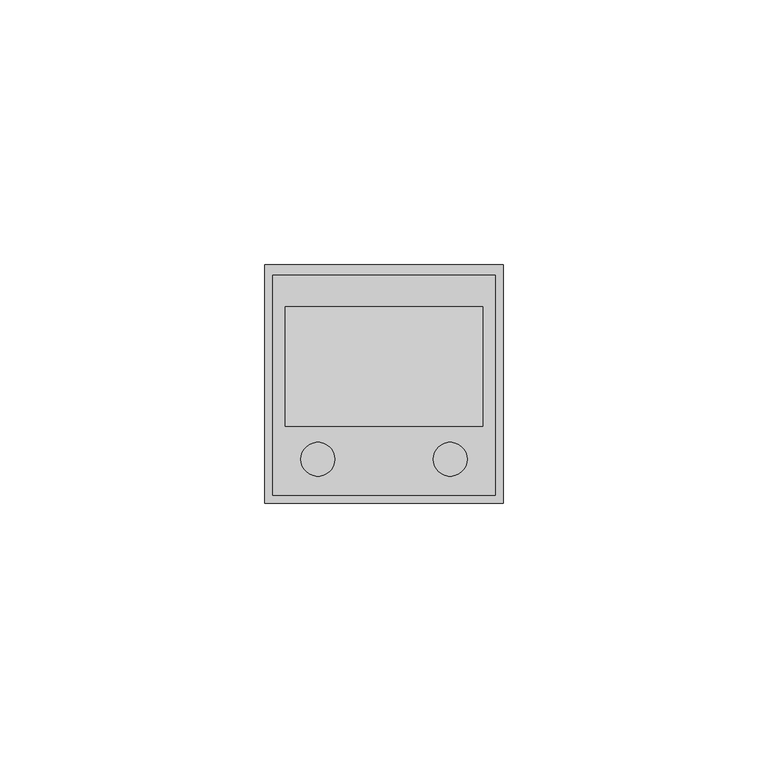
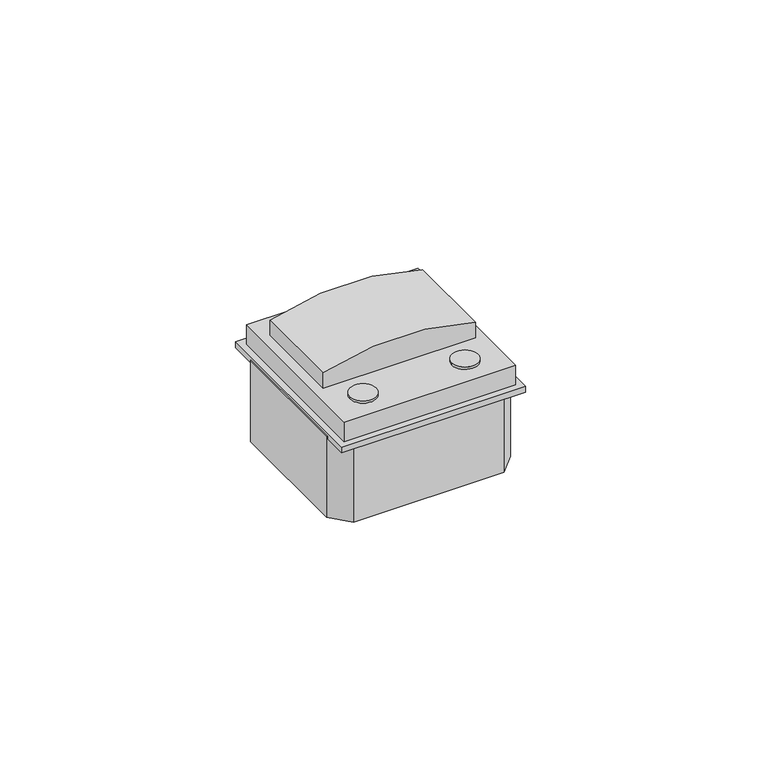
"""IFC4 building model written with IfcOpenShell, lengths in millimetres: proxy geometry."""

from ifc_helpers import new_model, si_unit, point, frame, frame_2d, origin, origin_with_axes, place, context, project, spatial, polyline, circle_curve, trimmed, segment, composite_curve, outline, extrude, source, transform, mapped, element, save


def electrical_fixtures_60326e2c(model_context):
    return source(origin(), model_context, "Body", "SweptSolid", [
        extrude(outline(composite_curve([segment(trimmed(circle_curve(frame_2d((34.9989589, 8.2904451)), 3.1887621), [point((38.187721, 8.2904451))], [point((31.8101969, 8.2904451))], False, "CARTESIAN"), True, "CONTINUOUS"), segment(trimmed(circle_curve(frame_2d((34.9989589, 8.2904451)), 3.1887621), [point((31.8101969, 8.2904451))], [point((38.187721, 8.2904451))], False, "CARTESIAN"), True, "CONTINUOUS")], self_intersect=False)), frame((0.0, 0.0, 6.5625), z_axis=(0.0, 0.0, 1.0), x_axis=(1.0, 0.0, 0.0)), (0.0, 0.0, 1.0), 0.5996897),
        extrude(outline(composite_curve([segment(trimmed(circle_curve(frame_2d((10.0193645, 8.2904451)), 3.1887621), [point((6.8306025, 8.2904451))], [point((13.2081266, 8.2904451))], False, "CARTESIAN"), True, "CONTINUOUS"), segment(trimmed(circle_curve(frame_2d((10.0193645, 8.2904451)), 3.1887621), [point((13.2081266, 8.2904451))], [point((6.8306025, 8.2904451))], False, "CARTESIAN"), True, "CONTINUOUS")], self_intersect=False)), frame((0.0, 0.0, 6.5625), z_axis=(0.0, 0.0, 1.0), x_axis=(1.0, 0.0, 0.0)), (0.0, 0.0, 1.0), 0.5996897),
        extrude(outline(composite_curve([segment(polyline([(10.5644319, 3.8601293), (6.5625, 3.8601293), (6.5625, 41.1581942), (10.5732746, 41.1581942)]), True, "CONTINUOUS"), segment(trimmed(circle_curve(frame_2d((-47.3305817, 22.5228888)), 60.8287036), [point((10.5732746, 41.1581942))], [point((10.5644319, 3.8601293))], False, "CARTESIAN"), True, "CONTINUOUS")], self_intersect=False)), frame((0.0, 14.5056652, 0.0), z_axis=(0.0, 1.0, 0.0), x_axis=(0.0, 0.0, 1.0)), (0.0, 0.0, 1.0), 22.587068),
        extrude(outline(polyline([(1.5, 43.0), (43.5, 43.0), (43.5, 1.5), (1.5, 1.5), (1.5, 43.0)])), frame((0.0, 0.0, 1.5), z_axis=(0.0, 0.0, 1.0), x_axis=(1.0, 0.0, 0.0)), (0.0, 0.0, 1.0), 5.0625),
        extrude(outline(polyline([(40.9470004, 42.986037), (45.0, 38.5762696), (45.0, 6.4237304), (40.9470004, 2.013963), (4.0529996, 2.013963), (0.0, 6.4237304), (0.0, 38.5762696), (4.0529996, 42.986037), (40.9470004, 42.986037)])), frame((0.0, 0.0, -20.5252852), z_axis=(0.0, 0.0, 1.0), x_axis=(1.0, 0.0, 0.0)), (0.0, 0.0, 1.0), 21.0),
        extrude(outline(polyline([(0.0, 45.0), (45.0, 45.0), (45.0, 0.0), (0.0, 0.0), (0.0, 45.0)])), origin_with_axes(), (0.0, 0.0, 1.0), 1.5),
    ])


if __name__ == "__main__":
    model = new_model("IFC4")
    model_context = context("Model", 3, world=origin())
    ifc_project = project(units=[si_unit("LENGTHUNIT", "METRE", prefix="MILLI")], contexts=[model_context])
    site = spatial("IfcSite", under=ifc_project)
    building = spatial("IfcBuilding", under=site)
    placement = place(None, origin())
    electrical_fixtures_shape = electrical_fixtures_60326e2c(model_context)
    element("IfcBuildingElementProxy", 1, Name="Electrical Fixtures", at=placement, inside=building, context=model_context, shape_type="MappedRepresentation", body=[
        mapped(electrical_fixtures_shape, transform((0.0, 0.0, 0.0), x_axis=(1.0, 0.0, 0.0), y_axis=(0.0, 1.0, 0.0), z_axis=(0.0, 0.0, 1.0))),
    ])
    save(model, "model.ifc")
